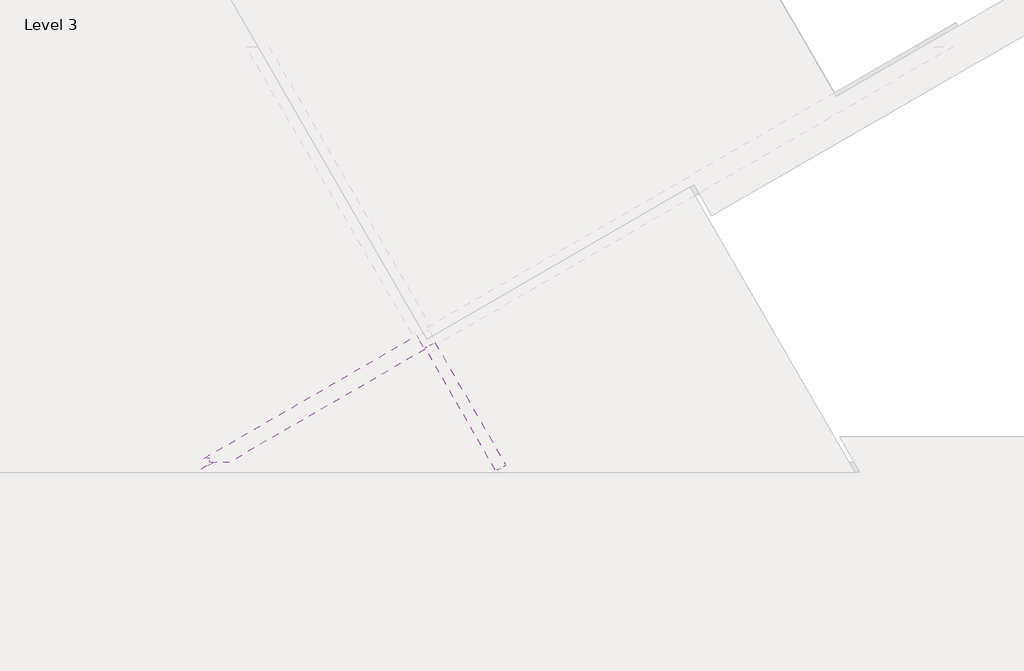
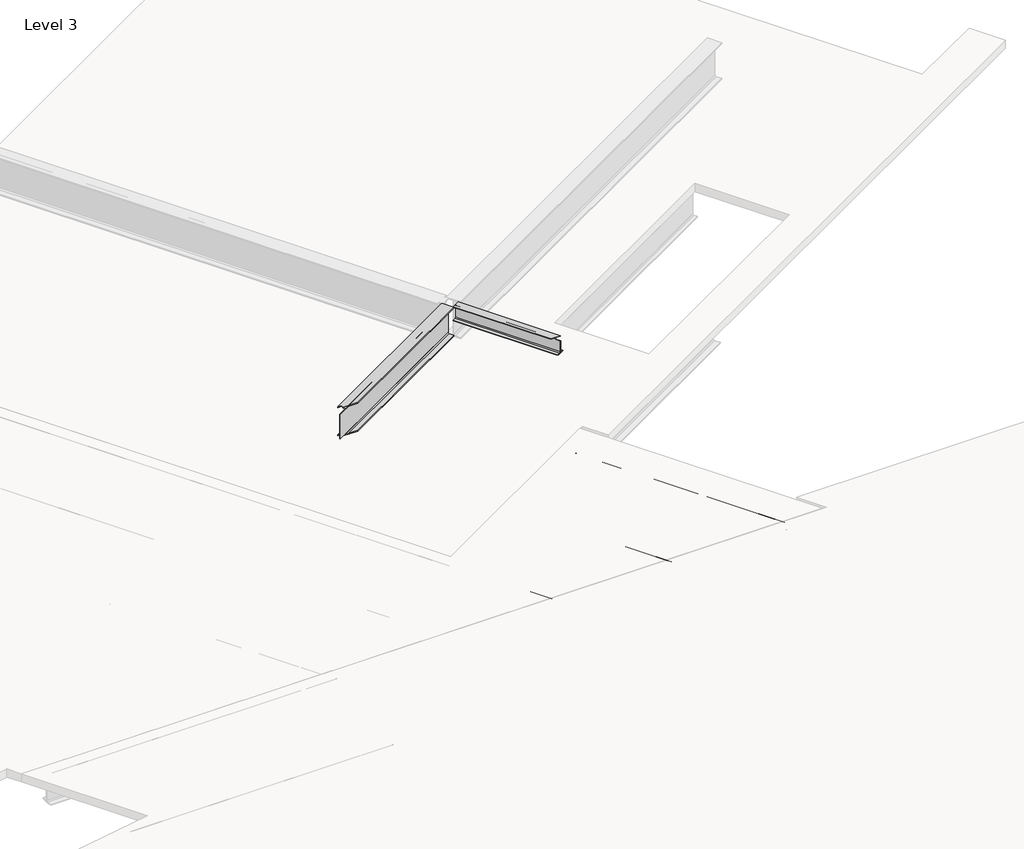
# One storey, part 7 of 16: 5 beams.
"""IFC4 building model written with IfcOpenShell, lengths in millimetres."""

from ifc_helpers import new_model, si_unit, frame, origin, place, context, project, spatial, polyline, circle_curve, ellipse_curve, element, save
from ifc_brep_helpers import plane_surface, revolved_surface, advanced_brep

model = new_model("IFC4")

# Units and contexts
model_context = context("Model", 3, world=origin())
ifc_project = project(units=[si_unit("LENGTHUNIT", "METRE", prefix="MILLI")], contexts=[model_context])

# Site, building, storey
site = spatial("IfcSite", under=ifc_project)
building = spatial("IfcBuilding", under=site)
storey = spatial("IfcBuildingStorey", under=building, Name="Level 3", Elevation=9753.6)

# Beams
placement = place(None, origin())
element("IfcBeam", 1, ObjectType="W-Wide Flange : W10x30", at=placement, inside=storey, context=model_context, shape_type="AdvancedBrep", body=[
    advanced_brep(
    [(9523.185329, 11363.793291, 14224.254), (9570.2590059, 11390.971291, 14224.254), (9583.7871887, 11398.781791, 14239.875), (9583.7871887, 11398.781791, 14449.425), (9570.2590059, 11390.971291, 14465.046), (9523.185329, 11363.793291, 14465.046), (9523.185329, 11363.793291, 14478.0), (9650.988162, 11437.580291, 14478.0), (9650.988162, 11437.580291, 14465.046), (9603.9144851, 11410.402291, 14465.046), (9590.3863023, 11402.591791, 14449.425), (9590.3863023, 11402.591791, 14239.875), (9603.9144851, 11410.402291, 14224.254), (9650.988162, 11437.580291, 14224.254), (9650.988162, 11437.580291, 14211.3), (9523.185329, 11363.793291, 14211.3), (10571.3507526, 9843.4655226, 14211.3), (10571.3507526, 9843.4655226, 14224.254), (10524.2770757, 9816.2875226, 14224.254), (10510.7488929, 9808.4770226, 14239.875), (10510.7488929, 9808.4770226, 14436.979), (10504.1497793, 9804.6670226, 14436.979), (10504.1497793, 9804.6670226, 14239.875), (10490.6215965, 9796.8565226, 14224.254), (10468.4920102, 9784.08, 14224.254), (10468.4920102, 9784.08, 14211.3), (10435.2332228, 9784.08, 14224.254), (10458.5500908, 9883.648, 14436.979), (10458.5500908, 9883.648, 14449.425), (10440.5125137, 9883.648, 14465.046), (10377.7476112, 9883.648, 14465.046), (10377.7476112, 9883.648, 14478.0), (10548.1513885, 9883.648, 14478.0), (10548.1513885, 9883.648, 14465.046), (10485.386486, 9883.648, 14465.046), (10467.3489089, 9883.648, 14449.425), (10467.3489089, 9883.648, 14436.979), (10435.2332228, 9784.08, 14211.3)],
    [
        (0, 1),
        (1, 2, circle_curve(frame((9570.2590059, 11390.971291, 14239.875), z_axis=(0.4999999999999909, -0.866025403784444, 0.0), x_axis=(0.866025403784444, 0.4999999999999909, 0.0)), 15.621)),
        (2, 3),
        (3, 4, circle_curve(frame((9570.2590059, 11390.971291, 14449.425), z_axis=(0.4999999999999909, -0.866025403784444, 0.0), x_axis=(0.866025403784444, 0.4999999999999909, 0.0)), 15.621)),
        (4, 5),
        (5, 6),
        (6, 7),
        (7, 8),
        (8, 9),
        (9, 10, circle_curve(frame((9603.9144851, 11410.402291, 14449.425), z_axis=(0.4999999999999909, -0.866025403784444, 0.0), x_axis=(0.866025403784444, 0.4999999999999909, 0.0)), 15.621)),
        (10, 11),
        (11, 12, circle_curve(frame((9603.9144851, 11410.402291, 14239.875), z_axis=(0.4999999999999909, -0.866025403784444, 0.0), x_axis=(0.866025403784444, 0.4999999999999909, 0.0)), 15.621)),
        (12, 13),
        (13, 14),
        (14, 15),
        (15, 0),
        (16, 17),
        (17, 18),
        (18, 19, circle_curve(frame((10524.2770757, 9816.2875226, 14239.875), z_axis=(-0.4999999999999909, 0.866025403784444, 0.0), x_axis=(0.866025403784444, 0.4999999999999909, 0.0)), 15.621)),
        (19, 20),
        (20, 21),
        (21, 22),
        (22, 23, circle_curve(frame((10490.6215965, 9796.8565226, 14239.875), z_axis=(-0.4999999999999909, 0.866025403784444, 0.0), x_axis=(0.866025403784444, 0.4999999999999909, 0.0)), 15.621)),
        (23, 24),
        (24, 25),
        (25, 16),
        (0, 26),
        (26, 24),
        (23, 1),
        (22, 2),
        (21, 27),
        (27, 28),
        (28, 3),
        (28, 29, ellipse_curve(frame((10440.5125137, 9883.648, 14449.425), z_axis=(0.0, -1.0, 0.0), x_axis=(1.0, 0.0, 0.0)), 18.0375771, 15.621)),
        (29, 4),
        (29, 30),
        (30, 5),
        (30, 31),
        (31, 6),
        (31, 32),
        (32, 7),
        (32, 33),
        (33, 8),
        (33, 34),
        (34, 9),
        (34, 35, ellipse_curve(frame((10485.386486, 9883.648, 14449.425), z_axis=(0.0, -1.0, 0.0), x_axis=(1.0, 0.0, 0.0)), 18.0375771, 15.621)),
        (35, 10),
        (35, 36),
        (36, 20),
        (19, 11),
        (18, 12),
        (17, 13),
        (16, 14),
        (25, 37),
        (37, 15),
        (37, 26),
        (36, 27),
    ],
    [
        plane_surface(frame((9587.0867455, 11400.686791, 14344.65), z_axis=(-0.4999999999999909, 0.866025403784444, 0.0), x_axis=(0.0, 0.0, 1.0))),
        plane_surface(frame((10507.4493361, 9806.5720226, 14344.65), z_axis=(0.4999999999999909, -0.866025403784444, 0.0), x_axis=(0.0, 0.0, 1.0))),
        plane_surface(frame((9523.185329, 11363.793291, 14224.254), z_axis=(0.0, 0.0, 1.0000000000000002), x_axis=(0.4999999999999909, -0.866025403784444, 0.0))),
        revolved_surface(polyline([(10504.149779373674, 9804.66702262376, 14239.875), (9583.787188724387, 11398.781791014078, 14239.875)]), (9570.2590059, 11390.971291, 14239.875), (0.4999999999999909, -0.866025403784444, 0.0)),
        plane_surface(frame((9583.7871887, 11398.781791, 14239.875), z_axis=(-0.866025403784444, -0.4999999999999909, 0.0), x_axis=(0.4999999999999909, -0.866025403784444, 0.0))),
        revolved_surface(polyline([(10458.550090818482, 9883.64800001067, 14449.425), (9583.787188724387, 11398.781791014078, 14449.425)]), (9570.2590059, 11390.971291, 14449.425), (0.4999999999999909, -0.866025403784444, 0.0)),
        plane_surface(frame((9570.2590059, 11390.971291, 14465.046), z_axis=(0.0, 0.0, -1.0000000000000002), x_axis=(0.4999999999999909, -0.866025403784444, 0.0))),
        plane_surface(frame((9523.185329, 11363.793291, 14465.046), z_axis=(-0.866025403784444, -0.4999999999999909, 0.0), x_axis=(0.4999999999999909, -0.866025403784444, 0.0))),
        plane_surface(frame((9523.185329, 11363.793291, 14478.0), z_axis=(0.0, 0.0, 1.0000000000000002), x_axis=(0.4999999999999909, -0.866025403784444, 0.0))),
        plane_surface(frame((9650.988162, 11437.580291, 14478.0), z_axis=(0.866025403784444, 0.4999999999999909, 0.0), x_axis=(0.4999999999999909, -0.866025403784444, 0.0))),
        plane_surface(frame((9650.988162, 11437.580291, 14465.046), z_axis=(0.0, 0.0, -1.0000000000000002), x_axis=(0.4999999999999909, -0.866025403784444, 0.0))),
        revolved_surface(polyline([(10503.42406310395, 9883.64800000228, 14449.425), (9617.442667932517, 11418.212791, 14449.425)]), (9603.9144851, 11410.402291, 14449.425), (0.4999999999999909, -0.866025403784444, 0.0)),
        plane_surface(frame((9590.3863023, 11402.591791, 14449.425), z_axis=(0.866025403784444, 0.4999999999999909, 0.0), x_axis=(0.4999999999999909, -0.866025403784444, 0.0))),
        revolved_surface(polyline([(10537.805258581802, 9824.098022609682, 14239.875), (9617.442667932517, 11418.212791, 14239.875)]), (9603.9144851, 11410.402291, 14239.875), (0.4999999999999909, -0.866025403784444, 0.0)),
        plane_surface(frame((9603.9144851, 11410.402291, 14224.254), z_axis=(0.0, 0.0, 1.0000000000000002), x_axis=(0.4999999999999909, -0.866025403784444, 0.0))),
        plane_surface(frame((9650.988162, 11437.580291, 14224.254), z_axis=(0.866025403784444, 0.4999999999999909, 0.0), x_axis=(0.4999999999999909, -0.866025403784444, 0.0))),
        plane_surface(frame((9650.988162, 11437.580291, 14211.3), z_axis=(0.0, 0.0, -1.0000000000000002), x_axis=(0.4999999999999909, -0.866025403784444, 0.0))),
        plane_surface(frame((9523.185329, 11363.793291, 14211.3), z_axis=(-0.866025403784444, -0.4999999999999909, 0.0), x_axis=(0.4999999999999909, -0.866025403784444, 0.0))),
        plane_surface(frame((14486.89, 9784.08, 13985.621), z_axis=(0.0, -1.0, 0.0), x_axis=(-1.0, 0.0, 0.0))),
        plane_surface(frame((14486.89, 9784.08, 14436.979), z_axis=(0.0, 0.0, 1.0), x_axis=(-1.0, 0.0, 0.0))),
        plane_surface(frame((14486.89, 9883.648, 14436.979), z_axis=(0.0, -1.0, 0.0), x_axis=(-1.0, 0.0, 0.0))),
    ],
    [
        (0, [[1, 2, 3, 4, 5, 6, 7, 8, 9, 10, 11, 12, 13, 14, 15, 16]]),
        (1, [[17, 18, 19, 20, 21, 22, 23, 24, 25, 26]]),
        (2, [[-1, 27, 28, -24, 29]]),
        (3, [[-2, -29, -23, 30]]),
        (4, [[-3, -30, -22, 31, 32, 33]]),
        (5, [[-4, -33, 34, 35]]),
        (6, [[-5, -35, 36, 37]]),
        (7, [[-6, -37, 38, 39]]),
        (8, [[-7, -39, 40, 41]]),
        (9, [[-8, -41, 42, 43]]),
        (10, [[-9, -43, 44, 45]]),
        (11, [[-10, -45, 46, 47]]),
        (12, [[-11, -47, 48, 49, -20, 50]]),
        (13, [[-12, -50, -19, 51]]),
        (14, [[-13, -51, -18, 52]]),
        (15, [[-14, -52, -17, 53]]),
        (16, [[-15, -53, -26, 54, 55]]),
        (17, [[-16, -55, 56, -27]]),
        (18, [[-25, -28, -56, -54]]),
        (19, [[57, -31, -21, -49]]),
        (20, [[-57, -48, -46, -44, -42, -40, -38, -36, -34, -32]]),
    ],
),
])
element("IfcBeam", 2, ObjectType="W-Wide Flange : W12x35", at=placement, inside=storey, context=model_context, shape_type="AdvancedBrep", body=[
    advanced_brep(
    [(12623.0336401, 9852.9905226, 9283.7), (12623.0336401, 9852.9905226, 9296.908), (12568.8659161, 9821.7167726, 9296.908), (12554.1828884, 9813.2395226, 9313.8625), (12554.1828884, 9813.2395226, 9560.179), (12547.5837749, 9809.4295226, 9560.179), (12547.5837749, 9809.4295226, 9313.8625), (12532.9007471, 9800.9522726, 9296.908), (12503.6771137, 9784.08, 9296.908), (12503.6771137, 9784.08, 9283.7), (11075.1033806, 12325.9313785, 9296.908), (11020.9356567, 12294.6576285, 9296.908), (12470.4183264, 9784.08, 9296.908), (11089.7864083, 12334.4086285, 9313.8625), (12504.733717, 9883.648, 9560.179), (12504.733717, 9883.648, 9571.0375), (11150.1749083, 12229.8126784, 9571.0375), (11150.1749083, 12229.8126784, 9556.877), (11089.7864083, 12334.4086285, 9556.877), (12485.1563467, 9883.648, 9587.992), (11135.4918806, 12221.3354284, 9587.992), (12412.9327148, 9883.648, 9587.992), (11081.3241567, 12190.0616784, 9587.992), (12412.9327148, 9883.648, 9601.2), (11081.3241567, 12190.0616784, 9601.2), (12605.3335373, 9883.648, 9601.2), (11225.6247736, 12273.3736784, 9601.2), (12605.3335373, 9883.648, 9587.992), (11225.6247736, 12273.3736784, 9587.992), (12533.1099053, 9883.648, 9587.992), (11171.4570496, 12242.0999284, 9587.992), (12513.5325351, 9883.648, 9571.0375), (11156.7740219, 12233.6226784, 9571.0375), (11096.3855219, 12338.2186285, 9313.8625), (11096.3855219, 12338.2186285, 9556.877), (11156.7740219, 12233.6226784, 9556.877), (12513.5325351, 9883.648, 9560.179), (11111.0685496, 12346.6958785, 9296.908), (11165.2362736, 12377.9696285, 9296.908), (11165.2362736, 12377.9696285, 9283.7), (12470.4183264, 9784.08, 9283.7), (11020.9356567, 12294.6576285, 9283.7)],
    [
        (0, 1),
        (1, 2),
        (2, 3, circle_curve(frame((12568.8659161, 9821.7167726, 9313.8625), z_axis=(-0.49999999999999106, 0.8660254037844439, 0.0), x_axis=(0.8660254037844439, 0.49999999999999106, 0.0)), 16.9545)),
        (3, 4),
        (4, 5),
        (5, 6),
        (6, 7, circle_curve(frame((12532.9007471, 9800.9522726, 9313.8625), z_axis=(-0.49999999999999106, 0.8660254037844439, 0.0), x_axis=(0.8660254037844439, 0.49999999999999106, 0.0)), 16.9545)),
        (7, 8),
        (8, 9),
        (9, 0),
        (7, 10),
        (10, 11),
        (11, 12),
        (12, 8),
        (6, 13),
        (13, 10, circle_curve(frame((11075.1033806, 12325.9313785, 9313.8625), z_axis=(-0.49999999999999106, 0.8660254037844439, 0.0), x_axis=(0.8660254037844439, 0.49999999999999106, 0.0)), 16.9545)),
        (5, 14),
        (14, 15),
        (15, 16),
        (16, 17),
        (17, 18),
        (18, 13),
        (15, 19, ellipse_curve(frame((12485.1563467, 9883.648, 9571.0375), z_axis=(0.0, -1.0, 0.0), x_axis=(1.0, 0.0, 0.0)), 19.5773703, 16.9545)),
        (19, 20),
        (20, 16, circle_curve(frame((11135.4918806, 12221.3354284, 9571.0375), z_axis=(-0.49999999999999106, 0.8660254037844439, 0.0), x_axis=(0.8660254037844439, 0.49999999999999106, 0.0)), 16.9545)),
        (19, 21),
        (21, 22),
        (22, 20),
        (21, 23),
        (23, 24),
        (24, 22),
        (23, 25),
        (25, 26),
        (26, 24),
        (25, 27),
        (27, 28),
        (28, 26),
        (27, 29),
        (29, 30),
        (30, 28),
        (29, 31, ellipse_curve(frame((12533.1099053, 9883.648, 9571.0375), z_axis=(0.0, -1.0, 0.0), x_axis=(1.0, 0.0, 0.0)), 19.5773703, 16.9545)),
        (31, 32),
        (32, 30, circle_curve(frame((11171.4570496, 12242.0999284, 9571.0375), z_axis=(-0.49999999999999106, 0.8660254037844439, 0.0), x_axis=(0.8660254037844439, 0.49999999999999106, 0.0)), 16.9545)),
        (3, 33),
        (33, 34),
        (34, 35),
        (35, 32),
        (31, 36),
        (36, 4),
        (2, 37),
        (37, 33, circle_curve(frame((11111.0685496, 12346.6958785, 9313.8625), z_axis=(-0.49999999999999106, 0.8660254037844439, 0.0), x_axis=(0.8660254037844439, 0.49999999999999106, 0.0)), 16.9545)),
        (1, 38),
        (38, 37),
        (0, 39),
        (39, 38),
        (9, 40),
        (40, 41),
        (41, 39),
        (40, 12),
        (11, 41),
        (36, 14),
        (18, 34),
        (17, 35),
    ],
    [
        plane_surface(frame((12550.8833316, 9811.3345226, 9442.45), z_axis=(0.49999999999999106, -0.8660254037844439, 0.0), x_axis=(0.0, 0.0, 1.0))),
        plane_surface(frame((11014.5856567, 12305.6561512, 9296.908), z_axis=(0.0, 0.0, 1.0000000000000002), x_axis=(0.49999999999999106, -0.8660254037844439, 0.0))),
        revolved_surface(polyline([(12547.58377485463, 9809.429522573804, 9313.8625), (11089.786408337495, 12334.408628521647, 9313.8625)]), (11068.7533806, 12336.9299012, 9313.8625), (0.49999999999999106, -0.8660254037844439, 0.0)),
        plane_surface(frame((11083.4364083, 12345.4071512, 9313.8625), z_axis=(-0.8660254037844439, -0.49999999999999106, 0.0), x_axis=(0.49999999999999106, -0.8660254037844439, 0.0))),
        revolved_surface(polyline([(12504.73371695033, 9883.647999971323, 9571.0375), (11150.17490829728, 12229.81267839843, 9571.0375)]), (11068.7533806, 12336.9299012, 9571.0375), (0.49999999999999106, -0.8660254037844439, 0.0)),
        plane_surface(frame((11068.7533806, 12336.9299012, 9587.992), z_axis=(0.0, 0.0, -1.0000000000000002), x_axis=(0.49999999999999106, -0.8660254037844439, 0.0))),
        plane_surface(frame((11014.5856567, 12305.6561512, 9587.992), z_axis=(-0.8660254037844439, -0.49999999999999106, 0.0), x_axis=(0.49999999999999106, -0.8660254037844439, 0.0))),
        plane_surface(frame((11014.5856567, 12305.6561512, 9601.2), z_axis=(0.0, 0.0, 1.0000000000000002), x_axis=(0.49999999999999106, -0.8660254037844439, 0.0))),
        plane_surface(frame((11158.8862736, 12388.9681512, 9601.2), z_axis=(0.8660254037844439, 0.49999999999999106, 0.0), x_axis=(0.49999999999999106, -0.8660254037844439, 0.0))),
        plane_surface(frame((11158.8862736, 12388.9681512, 9587.992), z_axis=(0.0, 0.0, -1.0000000000000002), x_axis=(0.49999999999999106, -0.8660254037844439, 0.0))),
        revolved_surface(polyline([(12552.687275598772, 9883.64799999929, 9571.0375), (11186.140077299397, 12250.577178394766, 9571.0375)]), (11104.7185496, 12357.6944012, 9571.0375), (0.49999999999999106, -0.8660254037844439, 0.0)),
        plane_surface(frame((11090.0355219, 12349.2171512, 9571.0375), z_axis=(0.8660254037844439, 0.49999999999999106, 0.0), x_axis=(0.49999999999999106, -0.8660254037844439, 0.0))),
        revolved_surface(polyline([(12583.548943833863, 9830.194022609778, 9313.8625), (11125.751577339614, 12355.173128517985, 9313.8625)]), (11104.7185496, 12357.6944012, 9313.8625), (0.49999999999999106, -0.8660254037844439, 0.0)),
        plane_surface(frame((11104.7185496, 12357.6944012, 9296.908), z_axis=(0.0, 0.0, 1.0000000000000002), x_axis=(0.49999999999999106, -0.8660254037844439, 0.0))),
        plane_surface(frame((11158.8862736, 12388.9681512, 9296.908), z_axis=(0.8660254037844439, 0.49999999999999106, 0.0), x_axis=(0.49999999999999106, -0.8660254037844439, 0.0))),
        plane_surface(frame((11158.8862736, 12388.9681512, 9283.7), z_axis=(0.0, 0.0, -1.0000000000000002), x_axis=(0.49999999999999106, -0.8660254037844439, 0.0))),
        plane_surface(frame((11014.5856567, 12305.6561512, 9283.7), z_axis=(-0.8660254037844439, -0.49999999999999106, 0.0), x_axis=(0.49999999999999106, -0.8660254037844439, 0.0))),
        plane_surface(frame((14486.89, 9784.08, 9108.821), z_axis=(0.0, -1.0, 0.0), x_axis=(-1.0, 0.0, 0.0))),
        plane_surface(frame((14486.89, 9784.08, 9560.179), z_axis=(0.0, 0.0, 1.0), x_axis=(-1.0, 0.0, 0.0))),
        plane_surface(frame((14486.89, 9883.648, 9560.179), z_axis=(0.0, -1.0, 0.0), x_axis=(-1.0, 0.0, 0.0))),
        plane_surface(frame((9659.6346537, 11508.710128, 8962.263), z_axis=(-0.49999999999999234, 0.8660254037844431, 0.0), x_axis=(0.8660254037844431, 0.49999999999999234, 0.0))),
        plane_surface(frame((9659.6346537, 11508.710128, 9556.877), z_axis=(0.0, 0.0, 1.0), x_axis=(0.8660254037844433, 0.49999999999999206, 0.0))),
        plane_surface(frame((9720.0231537, 11404.1141778, 9556.877), z_axis=(-0.49999999999999223, 0.8660254037844431, 0.0), x_axis=(0.8660254037844431, 0.49999999999999223, 0.0))),
    ],
    [
        (0, [[1, 2, 3, 4, 5, 6, 7, 8, 9, 10]]),
        (1, [[-8, 11, 12, 13, 14]]),
        (2, [[-7, 15, 16, -11]]),
        (3, [[-6, 17, 18, 19, 20, 21, 22, -15]]),
        (4, [[23, 24, 25, -19]]),
        (5, [[26, 27, 28, -24]]),
        (6, [[29, 30, 31, -27]]),
        (7, [[32, 33, 34, -30]]),
        (8, [[35, 36, 37, -33]]),
        (9, [[38, 39, 40, -36]]),
        (10, [[41, 42, 43, -39]]),
        (11, [[-4, 44, 45, 46, 47, -42, 48, 49]]),
        (12, [[-3, 50, 51, -44]]),
        (13, [[-2, 52, 53, -50]]),
        (14, [[-1, 54, 55, -52]]),
        (15, [[-10, 56, 57, 58, -54]]),
        (16, [[59, -13, 60, -57]]),
        (17, [[-9, -14, -59, -56]]),
        (18, [[61, -17, -5, -49]]),
        (19, [[-61, -48, -41, -38, -35, -32, -29, -26, -23, -18]]),
        (20, [[62, -45, -51, -53, -55, -58, -60, -12, -16, -22]]),
        (21, [[-62, -21, 63, -46]]),
        (22, [[-63, -20, -25, -28, -31, -34, -37, -40, -43, -47]]),
    ],
),
])
element("IfcBeam", 3, ObjectType="W-Wide Flange : W18x50", at=placement, inside=storey, context=model_context, shape_type="AdvancedBrep", body=[
    advanced_brep(
    [(14675.8897033, 9865.3095226, 9144.0), (14675.8897033, 9865.3095226, 9158.478), (14612.2632499, 9828.5747726, 9158.478), (14597.3052591, 9819.9387726, 9175.75), (14597.3052591, 9819.9387726, 9569.45), (14612.2632499, 9828.5747726, 9586.722), (14675.8897033, 9865.3095226, 9586.722), (14675.8897033, 9865.3095226, 9601.2), (14535.8559544, 9784.461, 9601.2), (14535.8559544, 9784.461, 9586.722), (14574.5383173, 9806.7942726, 9586.722), (14589.4963081, 9815.4302726, 9569.45), (14589.4963081, 9815.4302726, 9175.75), (14574.5383173, 9806.7942726, 9158.478), (14535.8559544, 9784.461, 9158.478), (14535.8559544, 9784.461, 9144.0), (14448.79, 9877.6577472, 9158.478), (14448.79, 9931.4, 9158.478), (14502.5971671, 9931.4, 9158.478), (12608.8612185, 13211.4468791, 9158.478), (12545.2347651, 13174.7121291, 9158.478), (12623.8192092, 13220.0828791, 9175.75), (14516.608, 9931.4, 9163.4579536), (14516.608, 9907.1325255, 9158.478), (12684.2077092, 13115.4869289, 9569.45), (12684.2077092, 13115.4869289, 9556.877), (12623.8192092, 13220.0828791, 9556.877), (14516.608, 9907.1325255, 9586.722), (14516.608, 9931.4, 9581.7420464), (14502.5971671, 9931.4, 9586.722), (12669.2497185, 13106.8509289, 9586.722), (14448.79, 9931.4, 9586.722), (14448.79, 9877.6577472, 9586.722), (12605.6232651, 13070.1161789, 9586.722), (14448.79, 9877.6577472, 9601.2), (12605.6232651, 13070.1161789, 9601.2), (12770.6011045, 13165.3661789, 9601.2), (14448.79, 9931.4, 9601.2), (14516.608, 9931.4, 9601.2), (14516.608, 9784.461, 9601.2), (12770.6011045, 13165.3661789, 9586.722), (12706.9746511, 13128.6314289, 9586.722), (12692.0166603, 13119.9954289, 9569.45), (12631.6281603, 13224.5913791, 9175.75), (12631.6281603, 13224.5913791, 9556.877), (12692.0166603, 13119.9954289, 9556.877), (12646.5861511, 13233.2273791, 9158.478), (12710.2126045, 13269.9621291, 9158.478), (12710.2126045, 13269.9621291, 9144.0), (14516.608, 9784.461, 9144.0), (14516.608, 9931.4, 9144.0), (14448.79, 9931.4, 9144.0), (14448.79, 9877.6577472, 9144.0), (12545.2347651, 13174.7121291, 9144.0), (14516.608, 9784.461, 9158.478), (14516.608, 9784.461, 9586.722)],
    [
        (0, 1),
        (1, 2),
        (2, 3, circle_curve(frame((14612.2632499, 9828.5747726, 9175.75), z_axis=(-0.4999999999999909, 0.866025403784444, 0.0), x_axis=(0.866025403784444, 0.4999999999999909, 0.0)), 17.272)),
        (3, 4),
        (4, 5, circle_curve(frame((14612.2632499, 9828.5747726, 9569.45), z_axis=(-0.4999999999999909, 0.866025403784444, 0.0), x_axis=(0.866025403784444, 0.4999999999999909, 0.0)), 17.272)),
        (5, 6),
        (6, 7),
        (7, 8),
        (8, 9),
        (9, 10),
        (10, 11, circle_curve(frame((14574.5383173, 9806.7942726, 9569.45), z_axis=(-0.4999999999999909, 0.866025403784444, 0.0), x_axis=(0.866025403784444, 0.4999999999999909, 0.0)), 17.272)),
        (11, 12),
        (12, 13, circle_curve(frame((14574.5383173, 9806.7942726, 9175.75), z_axis=(-0.4999999999999909, 0.866025403784444, 0.0), x_axis=(0.866025403784444, 0.4999999999999909, 0.0)), 17.272)),
        (13, 14),
        (14, 15),
        (15, 0),
        (16, 17),
        (17, 18),
        (18, 19),
        (19, 20),
        (20, 16),
        (12, 21),
        (21, 19, circle_curve(frame((12608.8612185, 13211.4468791, 9175.75), z_axis=(-0.4999999999999909, 0.866025403784444, 0.0), x_axis=(0.866025403784444, 0.4999999999999909, 0.0)), 17.272)),
        (18, 22, ellipse_curve(frame((14502.5971671, 9931.4, 9175.75), z_axis=(0.0, -1.0, 0.0), x_axis=(1.0, 0.0, 0.0)), 19.9439877, 17.272)),
        (22, 23, ellipse_curve(frame((14516.608, 9907.1325255, 9175.75), z_axis=(-1.0, 0.0, 0.0), x_axis=(0.0, -1.0, 0.0)), 34.544, 17.272)),
        (23, 13),
        (11, 24),
        (24, 25),
        (25, 26),
        (26, 21),
        (10, 27),
        (27, 28, ellipse_curve(frame((14516.608, 9907.1325255, 9569.45), z_axis=(-1.0, 0.0, 0.0), x_axis=(0.0, -1.0, 0.0)), 34.544, 17.272)),
        (28, 29, ellipse_curve(frame((14502.5971671, 9931.4, 9569.45), z_axis=(0.0, -1.0, 0.0), x_axis=(1.0, 0.0, 0.0)), 19.9439877, 17.272)),
        (29, 30),
        (30, 24, circle_curve(frame((12669.2497185, 13106.8509289, 9569.45), z_axis=(-0.4999999999999909, 0.866025403784444, 0.0), x_axis=(0.866025403784444, 0.4999999999999909, 0.0)), 17.272)),
        (31, 32),
        (32, 33),
        (33, 30),
        (29, 31),
        (32, 34),
        (34, 35),
        (35, 33),
        (7, 36),
        (36, 35),
        (34, 37),
        (37, 38),
        (38, 39),
        (39, 8),
        (6, 40),
        (40, 36),
        (5, 41),
        (41, 40),
        (4, 42),
        (42, 41, circle_curve(frame((12706.9746511, 13128.6314289, 9569.45), z_axis=(-0.4999999999999909, 0.866025403784444, 0.0), x_axis=(0.866025403784444, 0.4999999999999909, 0.0)), 17.272)),
        (3, 43),
        (43, 44),
        (44, 45),
        (45, 42),
        (2, 46),
        (46, 43, circle_curve(frame((12646.5861511, 13233.2273791, 9175.75), z_axis=(-0.4999999999999909, 0.866025403784444, 0.0), x_axis=(0.866025403784444, 0.4999999999999909, 0.0)), 17.272)),
        (1, 47),
        (47, 46),
        (0, 48),
        (48, 47),
        (15, 49),
        (49, 50),
        (50, 51),
        (51, 52),
        (52, 53),
        (53, 48),
        (52, 16),
        (20, 53),
        (23, 54),
        (54, 14),
        (9, 55),
        (55, 27),
        (51, 17),
        (50, 22),
        (49, 54),
        (31, 37),
        (28, 38),
        (55, 39),
        (26, 44),
        (25, 45),
    ],
    [
        plane_surface(frame((14593.4007836, 9817.6845226, 9372.6), z_axis=(0.4999999999999909, -0.866025403784444, 0.0), x_axis=(0.0, 0.0, 1.0))),
        plane_surface(frame((12538.8847651, 13185.7106517, 9158.478), z_axis=(0.0, 0.0, 1.0000000000000002), x_axis=(0.4999999999999909, -0.866025403784444, 0.0))),
        revolved_surface(polyline([(14589.496308113388, 9815.43027260773, 9175.75), (12623.819209243471, 13220.082879125099, 9175.75)]), (12602.5112185, 13222.4454017, 9175.75), (0.4999999999999909, -0.866025403784444, 0.0)),
        plane_surface(frame((12617.4692092, 13231.0814017, 9175.75), z_axis=(-0.866025403784444, -0.4999999999999909, 0.0), x_axis=(0.4999999999999909, -0.866025403784444, 0.0))),
        revolved_surface(polyline([(14589.496308113388, 9815.43027260773, 9569.45), (12684.207709246557, 13115.48692892688, 9569.45)]), (12602.5112185, 13222.4454017, 9569.45), (0.4999999999999909, -0.866025403784444, 0.0)),
        plane_surface(frame((12602.5112185, 13222.4454017, 9586.722), z_axis=(0.0, 0.0, -1.0000000000000002), x_axis=(0.4999999999999909, -0.866025403784444, 0.0))),
        plane_surface(frame((12538.8847651, 13185.7106517, 9586.722), z_axis=(-0.866025403784444, -0.4999999999999909, 0.0), x_axis=(0.4999999999999909, -0.866025403784444, 0.0))),
        plane_surface(frame((12538.8847651, 13185.7106517, 9601.2), z_axis=(0.0, 0.0, 1.0000000000000002), x_axis=(0.4999999999999909, -0.866025403784444, 0.0))),
        plane_surface(frame((12703.8626045, 13280.9606517, 9601.2), z_axis=(0.866025403784444, 0.4999999999999909, 0.0), x_axis=(0.4999999999999909, -0.866025403784444, 0.0))),
        plane_surface(frame((12703.8626045, 13280.9606517, 9586.722), z_axis=(0.0, 0.0, -1.0000000000000002), x_axis=(0.4999999999999909, -0.866025403784444, 0.0))),
        revolved_surface(polyline([(14627.22124070693, 9837.210772618917, 9569.45), (12721.932641858639, 13137.267428905952, 9569.45)]), (12640.2361511, 13244.2259017, 9569.45), (0.4999999999999909, -0.866025403784444, 0.0)),
        plane_surface(frame((12625.2781603, 13235.5899017, 9569.45), z_axis=(0.866025403784444, 0.4999999999999909, 0.0), x_axis=(0.4999999999999909, -0.866025403784444, 0.0))),
        revolved_surface(polyline([(14627.22124070693, 9837.210772618917, 9175.75), (12661.544141855555, 13241.863379104172, 9175.75)]), (12640.2361511, 13244.2259017, 9175.75), (0.4999999999999909, -0.866025403784444, 0.0)),
        plane_surface(frame((12640.2361511, 13244.2259017, 9158.478), z_axis=(0.0, 0.0, 1.0000000000000002), x_axis=(0.4999999999999909, -0.866025403784444, 0.0))),
        plane_surface(frame((12703.8626045, 13280.9606517, 9158.478), z_axis=(0.866025403784444, 0.4999999999999909, 0.0), x_axis=(0.4999999999999909, -0.866025403784444, 0.0))),
        plane_surface(frame((12703.8626045, 13280.9606517, 9144.0), z_axis=(0.0, 0.0, -1.0000000000000002), x_axis=(0.4999999999999909, -0.866025403784444, 0.0))),
        plane_surface(frame((12538.8847651, 13185.7106517, 9144.0), z_axis=(-0.866025403784444, -0.4999999999999909, 0.0), x_axis=(0.4999999999999909, -0.866025403784444, 0.0))),
        plane_surface(frame((14448.79, 9575.8, 5765.8), z_axis=(1.0, 0.0, 0.0), x_axis=(0.0, 0.0, 1.0))),
        plane_surface(frame((14448.79, 9931.4, 5765.8), z_axis=(0.0, -1.0, 0.0), x_axis=(0.0, 0.0, 1.0))),
        plane_surface(frame((14516.608, 9931.4, 5765.8), z_axis=(-1.0, 0.0, 0.0), x_axis=(0.0, 0.0, 1.0))),
        plane_surface(frame((14516.608, 9784.461, 5765.8), z_axis=(0.0, -1.0, 0.0), x_axis=(0.0, 0.0, 1.0))),
        plane_surface(frame((9659.6346537, 11508.710128, 8962.263), z_axis=(-0.49999999999999234, 0.8660254037844431, 0.0), x_axis=(0.8660254037844431, 0.49999999999999234, 0.0))),
        plane_surface(frame((9659.6346537, 11508.710128, 9556.877), z_axis=(0.0, 0.0, 1.0), x_axis=(0.8660254037844433, 0.49999999999999206, 0.0))),
        plane_surface(frame((9720.0231537, 11404.1141778, 9556.877), z_axis=(-0.49999999999999223, 0.8660254037844431, 0.0), x_axis=(0.8660254037844431, 0.49999999999999223, 0.0))),
    ],
    [
        (0, [[1, 2, 3, 4, 5, 6, 7, 8, 9, 10, 11, 12, 13, 14, 15, 16]]),
        (1, [[17, 18, 19, 20, 21]]),
        (2, [[-13, 22, 23, -19, 24, 25, 26]]),
        (3, [[-12, 27, 28, 29, 30, -22]]),
        (4, [[-11, 31, 32, 33, 34, 35, -27]]),
        (5, [[36, 37, 38, -34, 39]]),
        (6, [[40, 41, 42, -37]]),
        (7, [[-8, 43, 44, -41, 45, 46, 47, 48]]),
        (8, [[-7, 49, 50, -43]]),
        (9, [[-6, 51, 52, -49]]),
        (10, [[-5, 53, 54, -51]]),
        (11, [[-4, 55, 56, 57, 58, -53]]),
        (12, [[-3, 59, 60, -55]]),
        (13, [[-2, 61, 62, -59]]),
        (14, [[-1, 63, 64, -61]]),
        (15, [[-16, 65, 66, 67, 68, 69, 70, -63]]),
        (16, [[71, -21, 72, -69]]),
        (1, [[-14, -26, 73, 74]]),
        (5, [[-10, 75, 76, -31]]),
        (17, [[77, -17, -71, -68]]),
        (18, [[-77, -67, 78, -24, -18]]),
        (19, [[-78, -66, 79, -73, -25]]),
        (20, [[-79, -65, -15, -74]]),
        (17, [[80, -45, -40, -36]]),
        (18, [[-80, -39, -33, 81, -46]]),
        (19, [[-81, -32, -76, 82, -47]]),
        (20, [[-82, -75, -9, -48]]),
        (21, [[83, -56, -60, -62, -64, -70, -72, -20, -23, -30]]),
        (22, [[-83, -29, 84, -57]]),
        (23, [[-84, -28, -35, -38, -42, -44, -50, -52, -54, -58]]),
    ],
),
])
element("IfcBeam", 4, ObjectType="W-Wide Flange : W21x62", at=placement, inside=storey, context=model_context, shape_type="AdvancedBrep", body=[
    advanced_brep(
    [(9517.9710871, 11342.5986229, 13960.221), (9517.9710871, 11342.5986229, 13944.6), (9413.3230871, 11523.8542758, 13944.6), (9413.3230871, 11523.8542758, 13960.221), (9454.2488371, 11452.9687975, 13960.221), (9463.1070871, 11437.6258584, 13977.9375), (9463.1070871, 11437.6258584, 14444.6625), (9454.2488371, 11452.9687975, 14462.379), (9413.3230871, 11523.8542758, 14462.379), (9413.3230871, 11523.8542758, 14478.0), (9517.9710871, 11342.5986229, 14478.0), (9517.9710871, 11342.5986229, 14462.379), (9477.0453371, 11413.4841012, 14462.379), (9468.1870871, 11428.8270403, 14444.6625), (9468.1870871, 11428.8270403, 13977.9375), (9477.0453371, 11413.4841012, 13960.221), (6827.2914825, 9883.648, 13960.221), (6990.9944825, 9883.648, 13960.221), (6791.8584825, 9883.648, 13977.9375), (6791.8584825, 9883.648, 14444.6625), (6791.8584825, 9883.648, 14436.979), (6627.7722617, 9788.9127763, 14436.979), (6627.7722617, 9788.9127763, 13985.621), (6791.8584825, 9883.648, 13985.621), (6827.2914825, 9883.648, 14462.379), (6990.9944825, 9883.648, 14462.379), (6990.9944825, 9883.648, 14478.0), (6661.7104863, 9935.21, 14478.0), (6734.2487391, 9935.21, 14478.0), (6734.2487391, 9883.648, 14478.0), (6661.7104863, 9935.21, 14462.379), (6736.1054825, 9883.648, 14462.379), (6734.2487391, 9883.648, 14462.379), (6734.2487391, 9935.21, 14462.379), (6771.5384825, 9883.648, 14444.6625), (6771.5384825, 9883.648, 13977.9375), (6771.5384825, 9883.648, 13985.621), (6622.6922617, 9797.7115944, 13985.621), (6622.6922617, 9797.7115944, 14436.979), (6771.5384825, 9883.648, 14436.979), (6736.1054825, 9883.648, 13960.221), (6661.7104863, 9935.21, 13960.221), (6734.2487391, 9935.21, 13960.221), (6734.2487391, 9883.648, 13960.221), (6661.7104863, 9935.21, 13944.6), (6990.9944825, 9883.648, 13944.6), (6734.2487391, 9883.648, 13944.6), (6734.2487391, 9935.21, 13944.6)],
    [
        (0, 1),
        (1, 2),
        (2, 3),
        (3, 4),
        (4, 5, circle_curve(frame((9454.2488371, 11452.9687975, 13977.9375), z_axis=(-0.8660254037844433, -0.4999999999999922, 0.0), x_axis=(-0.4999999999999922, 0.8660254037844433, 0.0)), 17.7165)),
        (5, 6),
        (6, 7, circle_curve(frame((9454.2488371, 11452.9687975, 14444.6625), z_axis=(-0.8660254037844433, -0.4999999999999922, 0.0), x_axis=(-0.4999999999999922, 0.8660254037844433, 0.0)), 17.7165)),
        (7, 8),
        (8, 9),
        (9, 10),
        (10, 11),
        (11, 12),
        (12, 13, circle_curve(frame((9477.0453371, 11413.4841012, 14444.6625), z_axis=(-0.8660254037844433, -0.4999999999999922, 0.0), x_axis=(-0.4999999999999922, 0.8660254037844433, 0.0)), 17.7165)),
        (13, 14),
        (14, 15, circle_curve(frame((9477.0453371, 11413.4841012, 13977.9375), z_axis=(-0.8660254037844433, -0.4999999999999922, 0.0), x_axis=(-0.4999999999999922, 0.8660254037844433, 0.0)), 17.7165)),
        (15, 0),
        (15, 16),
        (16, 17),
        (17, 0),
        (14, 18),
        (18, 16, ellipse_curve(frame((6827.2914825, 9883.648, 13977.9375), z_axis=(0.0, -1.0, 0.0), x_axis=(1.0, 0.0, 0.0)), 35.433, 17.7165)),
        (13, 19),
        (19, 20),
        (20, 21),
        (21, 22),
        (22, 23),
        (23, 18),
        (12, 24),
        (24, 19, ellipse_curve(frame((6827.2914825, 9883.648, 14444.6625), z_axis=(0.0, -1.0, 0.0), x_axis=(1.0, 0.0, 0.0)), 35.433, 17.7165)),
        (11, 25),
        (25, 24),
        (10, 26),
        (26, 25),
        (9, 27),
        (27, 28),
        (28, 29),
        (29, 26),
        (8, 30),
        (30, 27),
        (7, 31),
        (31, 32),
        (32, 33),
        (33, 30),
        (6, 34),
        (34, 31, ellipse_curve(frame((6736.1054825, 9883.648, 14444.6625), z_axis=(0.0, -1.0, 0.0), x_axis=(1.0, 0.0, 0.0)), 35.433, 17.7165)),
        (5, 35),
        (35, 36),
        (36, 37),
        (37, 38),
        (38, 39),
        (39, 34),
        (4, 40),
        (40, 35, ellipse_curve(frame((6736.1054825, 9883.648, 13977.9375), z_axis=(0.0, -1.0, 0.0), x_axis=(1.0, 0.0, 0.0)), 35.433, 17.7165)),
        (3, 41),
        (41, 42),
        (42, 43),
        (43, 40),
        (2, 44),
        (44, 41),
        (1, 45),
        (45, 46),
        (46, 47),
        (47, 44),
        (17, 45),
        (21, 38),
        (37, 22),
        (23, 36),
        (43, 46),
        (20, 39),
        (29, 32),
        (47, 42),
        (33, 28),
    ],
    [
        plane_surface(frame((9465.6470871, 11433.2264494, 14211.3), z_axis=(0.8660254037844433, 0.4999999999999922, 0.0), x_axis=(0.0, 0.0, 1.0))),
        plane_surface(frame((6677.5562617, 9702.6843588, 13960.221), z_axis=(0.0, 0.0, 1.0000000000000002), x_axis=(0.8660254037844433, 0.4999999999999922, 0.0))),
        revolved_surface(polyline([(9468.187087090904, 11428.827040315757, 13977.9375), (6791.85848249336, 9883.6480000115, 13977.9375)]), (6636.6305117, 9773.5698372, 13977.9375), (0.8660254037844433, 0.4999999999999922, 0.0)),
        plane_surface(frame((6627.7722617, 9788.9127763, 13977.9375), z_axis=(0.4999999999999922, -0.8660254037844433, 0.0), x_axis=(0.8660254037844433, 0.4999999999999922, 0.0))),
        revolved_surface(polyline([(9468.187087090904, 11428.827040315757, 14444.6625), (6791.85848249336, 9883.6480000115, 14444.6625)]), (6636.6305117, 9773.5698372, 14444.6625), (0.8660254037844433, 0.4999999999999922, 0.0)),
        plane_surface(frame((6636.6305117, 9773.5698372, 14462.379), z_axis=(0.0, 0.0, -1.0000000000000002), x_axis=(0.8660254037844433, 0.4999999999999922, 0.0))),
        plane_surface(frame((6677.5562617, 9702.6843588, 14462.379), z_axis=(0.4999999999999922, -0.8660254037844433, 0.0), x_axis=(0.8660254037844433, 0.4999999999999922, 0.0))),
        plane_surface(frame((6677.5562617, 9702.6843588, 14478.0), z_axis=(0.0, 0.0, 1.0000000000000002), x_axis=(0.8660254037844433, 0.4999999999999922, 0.0))),
        plane_surface(frame((6572.9082617, 9883.9400118, 14478.0), z_axis=(-0.4999999999999922, 0.8660254037844433, 0.0), x_axis=(0.8660254037844433, 0.4999999999999922, 0.0))),
        plane_surface(frame((6572.9082617, 9883.9400118, 14462.379), z_axis=(0.0, 0.0, -1.0000000000000002), x_axis=(0.8660254037844433, 0.4999999999999922, 0.0))),
        revolved_surface(polyline([(9445.390587119546, 11468.311736532292, 14444.6625), (6700.672482508404, 9883.647999985444, 14444.6625)]), (6613.8340117, 9813.0545334, 14444.6625), (0.8660254037844433, 0.4999999999999922, 0.0)),
        plane_surface(frame((6622.6922617, 9797.7115944, 14444.6625), z_axis=(-0.4999999999999922, 0.8660254037844433, 0.0), x_axis=(0.8660254037844433, 0.4999999999999922, 0.0))),
        revolved_surface(polyline([(9445.390587119546, 11468.311736532292, 13977.9375), (6700.672482508404, 9883.647999985444, 13977.9375)]), (6613.8340117, 9813.0545334, 13977.9375), (0.8660254037844433, 0.4999999999999922, 0.0)),
        plane_surface(frame((6613.8340117, 9813.0545334, 13960.221), z_axis=(0.0, 0.0, 1.0000000000000002), x_axis=(0.8660254037844433, 0.4999999999999922, 0.0))),
        plane_surface(frame((6572.9082617, 9883.9400118, 13960.221), z_axis=(-0.4999999999999922, 0.8660254037844433, 0.0), x_axis=(0.8660254037844433, 0.4999999999999922, 0.0))),
        plane_surface(frame((6572.9082617, 9883.9400118, 13944.6), z_axis=(0.0, 0.0, -1.0000000000000002), x_axis=(0.8660254037844433, 0.4999999999999922, 0.0))),
        plane_surface(frame((6677.5562617, 9702.6843588, 13944.6), z_axis=(0.4999999999999922, -0.8660254037844433, 0.0), x_axis=(0.8660254037844433, 0.4999999999999922, 0.0))),
        plane_surface(frame((6625.2322617, 9793.3121853, 14211.3), z_axis=(-0.8660254037844433, -0.4999999999999922, 0.0), x_axis=(0.0, 0.0, 1.0))),
        plane_surface(frame((14486.89, 9883.648, 13919.2), z_axis=(0.0, -1.0, 0.0), x_axis=(-1.0, 0.0, 0.0))),
        plane_surface(frame((14486.89, 9883.648, 13985.621), z_axis=(0.0, 0.0, -1.0), x_axis=(-1.0, 0.0, 0.0))),
        plane_surface(frame((14486.89, 9784.08, 14436.979), z_axis=(0.0, 0.0, 1.0), x_axis=(-1.0, 0.0, 0.0))),
        plane_surface(frame((14486.89, 9883.648, 14436.979), z_axis=(0.0, -1.0, 0.0), x_axis=(-1.0, 0.0, 0.0))),
        plane_surface(frame((6378.6487391, 9935.21, 5765.8), z_axis=(0.0, -1.0, 0.0), x_axis=(0.0, 0.0, 1.0))),
        plane_surface(frame((6734.2487391, 9935.21, 5765.8), z_axis=(-1.0, 0.0, 0.0), x_axis=(0.0, 0.0, 1.0))),
    ],
    [
        (0, [[1, 2, 3, 4, 5, 6, 7, 8, 9, 10, 11, 12, 13, 14, 15, 16]]),
        (1, [[-16, 17, 18, 19]]),
        (2, [[-15, 20, 21, -17]]),
        (3, [[-14, 22, 23, 24, 25, 26, 27, -20]]),
        (4, [[-13, 28, 29, -22]]),
        (5, [[-12, 30, 31, -28]]),
        (6, [[-11, 32, 33, -30]]),
        (7, [[-10, 34, 35, 36, 37, -32]]),
        (8, [[-9, 38, 39, -34]]),
        (9, [[-8, 40, 41, 42, 43, -38]]),
        (10, [[-7, 44, 45, -40]]),
        (11, [[-6, 46, 47, 48, 49, 50, 51, -44]]),
        (12, [[-5, 52, 53, -46]]),
        (13, [[-4, 54, 55, 56, 57, -52]]),
        (14, [[-3, 58, 59, -54]]),
        (15, [[-2, 60, 61, 62, 63, -58]]),
        (16, [[-1, -19, 64, -60]]),
        (17, [[-25, 65, -49, 66]]),
        (18, [[67, -47, -53, -57, 68, -61, -64, -18, -21, -27]]),
        (19, [[-67, -26, -66, -48]]),
        (20, [[69, -50, -65, -24]]),
        (21, [[-69, -23, -29, -31, -33, -37, 70, -41, -45, -51]]),
        (22, [[71, -55, -59, -63]]),
        (23, [[-71, -62, -68, -56]]),
        (22, [[72, -35, -39, -43]]),
        (23, [[-72, -42, -70, -36]]),
    ],
),
])
element("IfcBeam", 5, ObjectType="W-Wide Flange : W8x10", at=placement, inside=storey, context=model_context, shape_type="AdvancedBrep", body=[
    advanced_brep(
    [(9508.3195663, 11437.0395472, 9406.001), (9539.1704223, 11454.8512972, 9406.001), (9549.7839967, 11460.9790472, 9418.2565), (9549.7839967, 11460.9790472, 9583.7375), (9539.1704223, 11454.8512972, 9595.993), (9508.3195663, 11437.0395472, 9595.993), (9508.3195663, 11437.0395472, 9601.2), (9594.9879247, 11487.0775472, 9601.2), (9594.9879247, 11487.0775472, 9595.993), (9564.1370687, 11469.2657972, 9595.993), (9553.5234944, 11463.1380472, 9583.7375), (9553.5234944, 11463.1380472, 9418.2565), (9564.1370687, 11469.2657972, 9406.001), (9594.9879247, 11487.0775472, 9406.001), (9594.9879247, 11487.0775472, 9400.794), (9508.3195663, 11437.0395472, 9400.794), (10557.639261, 9819.7165226, 9400.794), (10557.639261, 9819.7165226, 9406.001), (10526.7884051, 9801.9047726, 9406.001), (10516.1748307, 9795.7770226, 9418.2565), (10516.1748307, 9795.7770226, 9560.179), (10512.435333, 9793.6180226, 9560.179), (10512.435333, 9793.6180226, 9418.2565), (10501.8217587, 9787.4902726, 9406.001), (10495.9149932, 9784.08, 9406.001), (10495.9149932, 9784.08, 9400.794), (10462.6562059, 9784.08, 9406.001), (10460.4565014, 9883.648, 9560.179), (10460.4565014, 9883.648, 9583.7375), (10446.3050689, 9883.648, 9595.993), (10405.1705943, 9883.648, 9595.993), (10405.1705943, 9883.648, 9601.2), (10520.7284054, 9883.648, 9601.2), (10520.7284054, 9883.648, 9595.993), (10479.5939307, 9883.648, 9595.993), (10465.4424983, 9883.648, 9583.7375), (10465.4424983, 9883.648, 9560.179), (10462.6562059, 9784.08, 9400.794)],
    [
        (0, 1),
        (1, 2, circle_curve(frame((9539.1704223, 11454.8512972, 9418.2565), z_axis=(0.4999999999999914, -0.8660254037844437, 0.0), x_axis=(0.8660254037844437, 0.4999999999999914, 0.0)), 12.2555)),
        (2, 3),
        (3, 4, circle_curve(frame((9539.1704223, 11454.8512972, 9583.7375), z_axis=(0.4999999999999914, -0.8660254037844437, 0.0), x_axis=(0.8660254037844437, 0.4999999999999914, 0.0)), 12.2555)),
        (4, 5),
        (5, 6),
        (6, 7),
        (7, 8),
        (8, 9),
        (9, 10, circle_curve(frame((9564.1370687, 11469.2657972, 9583.7375), z_axis=(0.4999999999999914, -0.8660254037844437, 0.0), x_axis=(0.8660254037844437, 0.4999999999999914, 0.0)), 12.2555)),
        (10, 11),
        (11, 12, circle_curve(frame((9564.1370687, 11469.2657972, 9418.2565), z_axis=(0.4999999999999914, -0.8660254037844437, 0.0), x_axis=(0.8660254037844437, 0.4999999999999914, 0.0)), 12.2555)),
        (12, 13),
        (13, 14),
        (14, 15),
        (15, 0),
        (16, 17),
        (17, 18),
        (18, 19, circle_curve(frame((10526.7884051, 9801.9047726, 9418.2565), z_axis=(-0.4999999999999914, 0.8660254037844437, 0.0), x_axis=(0.8660254037844437, 0.4999999999999914, 0.0)), 12.2555)),
        (19, 20),
        (20, 21),
        (21, 22),
        (22, 23, circle_curve(frame((10501.8217587, 9787.4902726, 9418.2565), z_axis=(-0.4999999999999914, 0.8660254037844437, 0.0), x_axis=(0.8660254037844437, 0.4999999999999914, 0.0)), 12.2555)),
        (23, 24),
        (24, 25),
        (25, 16),
        (0, 26),
        (26, 24),
        (23, 1),
        (22, 2),
        (21, 27),
        (27, 28),
        (28, 3),
        (28, 29, ellipse_curve(frame((10446.3050689, 9883.648, 9583.7375), z_axis=(0.0, -1.0, 0.0), x_axis=(1.0, 0.0, 0.0)), 14.1514324, 12.2555)),
        (29, 4),
        (29, 30),
        (30, 5),
        (30, 31),
        (31, 6),
        (31, 32),
        (32, 7),
        (32, 33),
        (33, 8),
        (33, 34),
        (34, 9),
        (34, 35, ellipse_curve(frame((10479.5939307, 9883.648, 9583.7375), z_axis=(0.0, -1.0, 0.0), x_axis=(1.0, 0.0, 0.0)), 14.1514324, 12.2555)),
        (35, 10),
        (35, 36),
        (36, 20),
        (19, 11),
        (18, 12),
        (17, 13),
        (16, 14),
        (25, 37),
        (37, 15),
        (37, 26),
        (36, 27),
    ],
    [
        plane_surface(frame((9551.6537455, 11462.0585472, 9500.997), z_axis=(-0.4999999999999914, 0.8660254037844437, 0.0), x_axis=(0.0, 0.0, 1.0))),
        plane_surface(frame((10514.3050819, 9794.6975226, 9500.997), z_axis=(0.4999999999999914, -0.8660254037844437, 0.0), x_axis=(0.0, 0.0, 1.0))),
        plane_surface(frame((9508.3195663, 11437.0395472, 9406.001), z_axis=(0.0, 0.0, 1.0000000000000002), x_axis=(0.4999999999999914, -0.8660254037844437, 0.0))),
        revolved_surface(polyline([(10512.43533302789, 9793.61802259527, 9418.2565), (9549.78399663608, 11460.9790472, 9418.2565)]), (9539.1704223, 11454.8512972, 9418.2565), (0.4999999999999914, -0.8660254037844437, 0.0)),
        plane_surface(frame((9549.7839967, 11460.9790472, 9418.2565), z_axis=(-0.8660254037844437, -0.4999999999999914, 0.0), x_axis=(0.4999999999999914, -0.8660254037844437, 0.0))),
        revolved_surface(polyline([(10460.456501353601, 9883.647999973211, 9583.7375), (9549.78399663608, 11460.9790472, 9583.7375)]), (9539.1704223, 11454.8512972, 9583.7375), (0.4999999999999914, -0.8660254037844437, 0.0)),
        plane_surface(frame((9539.1704223, 11454.8512972, 9595.993), z_axis=(0.0, 0.0, -1.0000000000000002), x_axis=(0.4999999999999914, -0.8660254037844437, 0.0))),
        plane_surface(frame((9508.3195663, 11437.0395472, 9595.993), z_axis=(-0.8660254037844437, -0.4999999999999914, 0.0), x_axis=(0.4999999999999914, -0.8660254037844437, 0.0))),
        plane_surface(frame((9508.3195663, 11437.0395472, 9601.2), z_axis=(0.0, 0.0, 1.0000000000000002), x_axis=(0.4999999999999914, -0.8660254037844437, 0.0))),
        plane_surface(frame((9594.9879247, 11487.0775472, 9601.2), z_axis=(0.8660254037844437, 0.4999999999999914, 0.0), x_axis=(0.4999999999999914, -0.8660254037844437, 0.0))),
        plane_surface(frame((9594.9879247, 11487.0775472, 9595.993), z_axis=(0.0, 0.0, -1.0000000000000002), x_axis=(0.4999999999999914, -0.8660254037844437, 0.0))),
        revolved_surface(polyline([(10493.745363170026, 9883.648000040428, 9583.7375), (9574.75064303608, 11475.3935472, 9583.7375)]), (9564.1370687, 11469.2657972, 9583.7375), (0.4999999999999914, -0.8660254037844437, 0.0)),
        plane_surface(frame((9553.5234944, 11463.1380472, 9583.7375), z_axis=(0.8660254037844437, 0.4999999999999914, 0.0), x_axis=(0.4999999999999914, -0.8660254037844437, 0.0))),
        revolved_surface(polyline([(10537.401979427888, 9808.032522595271, 9418.2565), (9574.75064303608, 11475.3935472, 9418.2565)]), (9564.1370687, 11469.2657972, 9418.2565), (0.4999999999999914, -0.8660254037844437, 0.0)),
        plane_surface(frame((9564.1370687, 11469.2657972, 9406.001), z_axis=(0.0, 0.0, 1.0000000000000002), x_axis=(0.4999999999999914, -0.8660254037844437, 0.0))),
        plane_surface(frame((9594.9879247, 11487.0775472, 9406.001), z_axis=(0.8660254037844437, 0.4999999999999914, 0.0), x_axis=(0.4999999999999914, -0.8660254037844437, 0.0))),
        plane_surface(frame((9594.9879247, 11487.0775472, 9400.794), z_axis=(0.0, 0.0, -1.0000000000000002), x_axis=(0.4999999999999914, -0.8660254037844437, 0.0))),
        plane_surface(frame((9508.3195663, 11437.0395472, 9400.794), z_axis=(-0.8660254037844437, -0.4999999999999914, 0.0), x_axis=(0.4999999999999914, -0.8660254037844437, 0.0))),
        plane_surface(frame((14486.89, 9784.08, 9108.821), z_axis=(0.0, -1.0, 0.0), x_axis=(-1.0, 0.0, 0.0))),
        plane_surface(frame((14486.89, 9784.08, 9560.179), z_axis=(0.0, 0.0, 1.0), x_axis=(-1.0, 0.0, 0.0))),
        plane_surface(frame((14486.89, 9883.648, 9560.179), z_axis=(0.0, -1.0, 0.0), x_axis=(-1.0, 0.0, 0.0))),
    ],
    [
        (0, [[1, 2, 3, 4, 5, 6, 7, 8, 9, 10, 11, 12, 13, 14, 15, 16]]),
        (1, [[17, 18, 19, 20, 21, 22, 23, 24, 25, 26]]),
        (2, [[-1, 27, 28, -24, 29]]),
        (3, [[-2, -29, -23, 30]]),
        (4, [[-3, -30, -22, 31, 32, 33]]),
        (5, [[-4, -33, 34, 35]]),
        (6, [[-5, -35, 36, 37]]),
        (7, [[-6, -37, 38, 39]]),
        (8, [[-7, -39, 40, 41]]),
        (9, [[-8, -41, 42, 43]]),
        (10, [[-9, -43, 44, 45]]),
        (11, [[-10, -45, 46, 47]]),
        (12, [[-11, -47, 48, 49, -20, 50]]),
        (13, [[-12, -50, -19, 51]]),
        (14, [[-13, -51, -18, 52]]),
        (15, [[-14, -52, -17, 53]]),
        (16, [[-15, -53, -26, 54, 55]]),
        (17, [[-16, -55, 56, -27]]),
        (18, [[-25, -28, -56, -54]]),
        (19, [[57, -31, -21, -49]]),
        (20, [[-57, -48, -46, -44, -42, -40, -38, -36, -34, -32]]),
    ],
),
])

save(model, "model.ifc")
